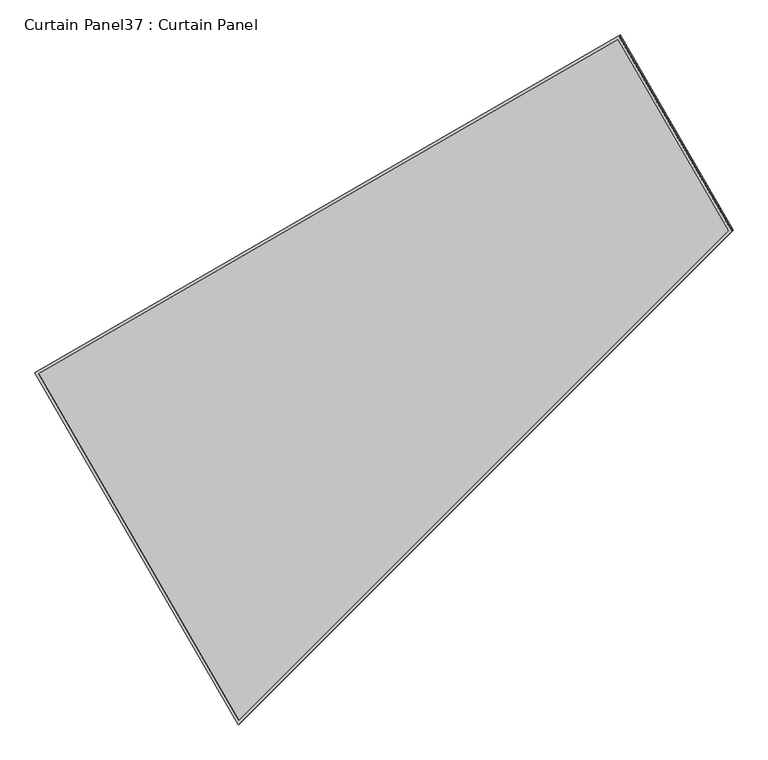
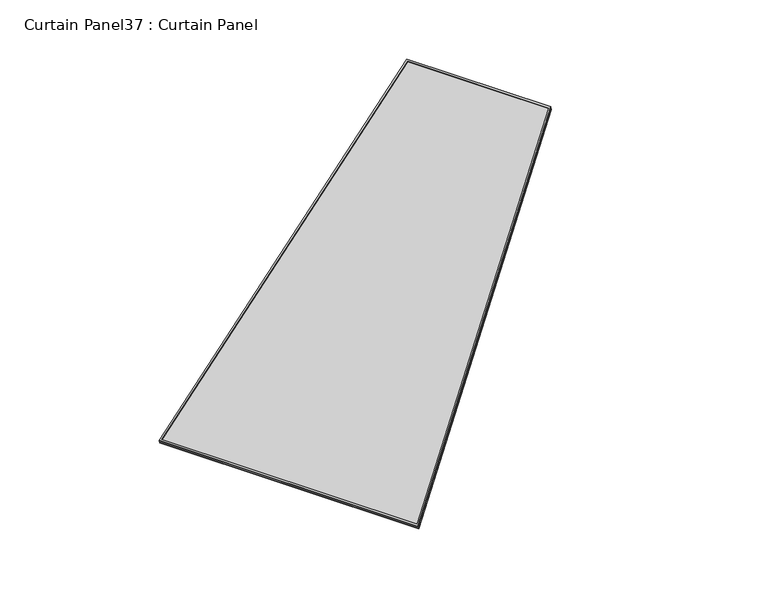
"""IFC4 building model written with IfcOpenShell, lengths in millimetres: plate geometry, Curtain Panel37 : Curtain Panel."""

from ifc_helpers import new_model, si_unit, frame, origin, place, context, project, spatial, polyline, outline, extrude, source, transform, mapped, element, save


def curtain_panel37_curtain_panel_6104e634(model_context):
    return source(origin(), model_context, "Body", "SweptSolid", [
        extrude(outline(polyline([(1625.9060241, -2842.288964), (722.5275942, -2842.288964), (0.0, 0.0), (1625.9060241, -1e-07), (1625.9060241, -2842.288964)]), holes=[polyline([(1614.7935241, -11.1125), (14.2907959, -11.1125), (731.1686565, -2831.176464), (1614.7935241, -2831.176464), (1614.7935241, -11.1125)])]), frame((5413.0999608, -5517.3547199, -9.1601464), z_axis=(-0.27379031486168354, -0.15807291198690293, 0.9487106081329129), x_axis=(-0.4999999999999891, 0.866025403784445, 0.0)), (0.0, 0.0, 1.0), 4.8457456),
        extrude(outline(polyline([(1625.9060241, -2842.288964), (722.5275942, -2842.288964), (0.0, 0.0), (1625.906024, 0.0), (1625.9060241, -2842.288964)]), holes=[polyline([(1614.7935241, -11.1125001), (14.2907959, -11.1125), (731.1686564, -2831.176464), (1614.7935241, -2831.176464), (1614.7935241, -11.1125001)])]), frame((5417.9249861, -5514.5689902, -25.8793379), z_axis=(-0.27379031486167926, -0.15807291198690043, 0.9487106081329143), x_axis=(-0.49999999999998906, 0.866025403784445, 0.0)), (0.0, 0.0, 1.0), 4.643455),
        extrude(outline(polyline([(25.6892883, 0.0), (1651.5953125, 0.0), (1651.5953125, -2842.2889641), (748.2168826, -2842.288964), (25.6892883, 0.0)])), frame((5429.4982973, -5537.550571, -21.4740429), z_axis=(-0.27379031486168043, -0.15807291198690107, 0.9487106081329141), x_axis=(-0.4999999999999937, 0.8660254037844424, 0.0)), (0.0, 0.0, 1.0), 12.9796129),
    ])


if __name__ == "__main__":
    model = new_model("IFC4")
    model_context = context("Model", 3, world=origin())
    ifc_project = project(units=[si_unit("LENGTHUNIT", "METRE", prefix="MILLI")], contexts=[model_context])
    site = spatial("IfcSite", under=ifc_project)
    building = spatial("IfcBuilding", under=site)
    placement = place(None, origin())
    curtain_panel37_curtain_panel_shape = curtain_panel37_curtain_panel_6104e634(model_context)
    element("IfcPlate", 1, ObjectType="Curtain Panel37 : Curtain Panel", at=placement, inside=building, context=model_context, shape_type="MappedRepresentation", body=[
        mapped(curtain_panel37_curtain_panel_shape, transform((0.0, 0.0, 0.0), x_axis=(1.0, 0.0, 0.0), y_axis=(0.0, 1.0, 0.0), z_axis=(0.0, 0.0, 1.0))),
    ])
    save(model, "model.ifc")
